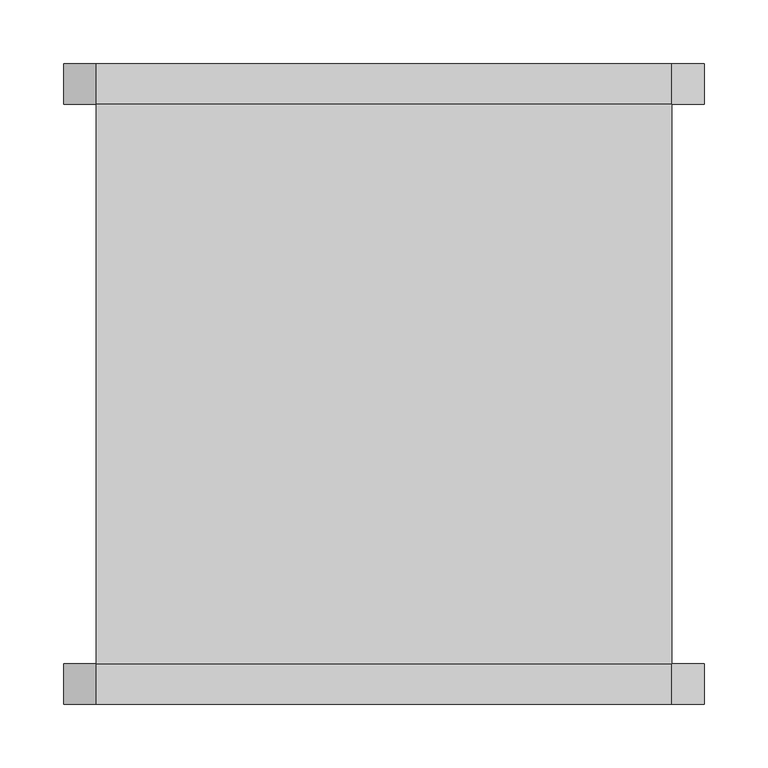
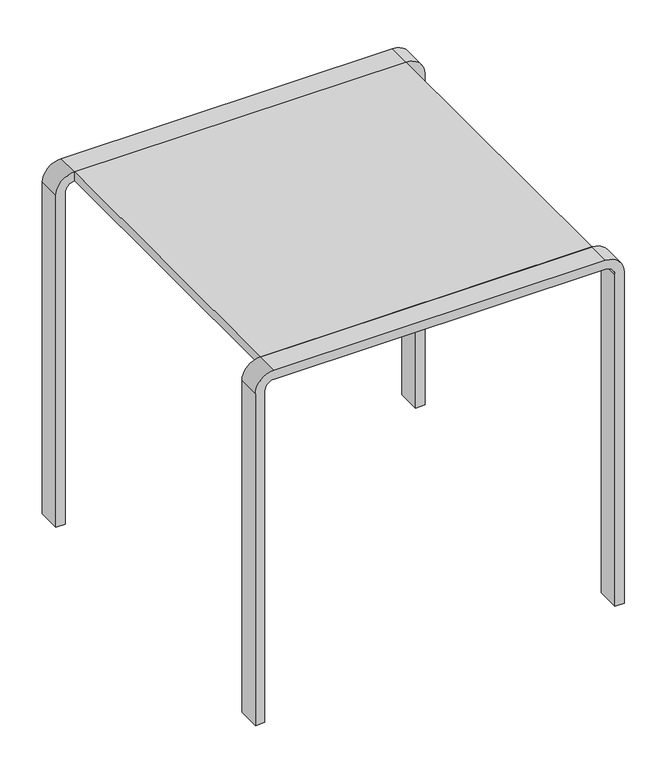
"""IFC4 building model written with IfcOpenShell, lengths in millimetres: furniture geometry."""

from ifc_helpers import new_model, si_unit, point, frame, frame_2d, origin, place, context, project, spatial, polyline, circle_curve, trimmed, segment, composite_curve, outline, extrude, source, transform, mapped, element, save


def furniture_c641f747(model_context):
    return source(origin(), model_context, "Body", "SweptSolid", [
        extrude(outline(polyline([(225.425, 219.075), (225.425, -219.075), (-225.425, -219.075), (-225.425, 219.075), (225.425, 219.075)])), frame((0.0, 0.0, 488.95), z_axis=(0.0, 0.0, 1.0), x_axis=(1.0, 0.0, 0.0)), (0.0, 0.0, 1.0), 12.7),
        extrude(outline(composite_curve([segment(polyline([(476.25, -250.825), (0.0, -250.825), (0.0, -238.125), (476.25, -238.125)]), True, "CONTINUOUS"), segment(trimmed(circle_curve(frame_2d((476.25, -225.425)), 12.7), [point((476.25, -238.125))], [point((488.95, -225.425))], True, "CARTESIAN"), True, "CONTINUOUS"), segment(polyline([(488.95, -225.425), (488.95, 225.425)]), True, "CONTINUOUS"), segment(trimmed(circle_curve(frame_2d((476.25, 225.425)), 12.7), [point((488.95, 225.425))], [point((476.25, 238.125))], True, "CARTESIAN"), True, "CONTINUOUS"), segment(polyline([(476.25, 238.125), (0.0, 238.125), (0.0, 250.825), (476.25, 250.825)]), True, "CONTINUOUS"), segment(trimmed(circle_curve(frame_2d((476.25, 225.425)), 25.4), [point((476.25, 250.825))], [point((501.65, 225.425))], False, "CARTESIAN"), True, "CONTINUOUS"), segment(polyline([(501.65, 225.425), (501.65, -225.425)]), True, "CONTINUOUS"), segment(trimmed(circle_curve(frame_2d((476.25, -225.425)), 25.4), [point((501.65, -225.425))], [point((476.25, -250.825))], False, "CARTESIAN"), True, "CONTINUOUS")], self_intersect=False)), frame((0.0, 219.075, 0.0), z_axis=(0.0, 1.0, 0.0), x_axis=(0.0, 0.0, 1.0)), (0.0, 0.0, 1.0), 31.75),
        extrude(outline(composite_curve([segment(polyline([(476.25, -250.825), (0.0, -250.825), (0.0, -238.125), (476.25, -238.125)]), True, "CONTINUOUS"), segment(trimmed(circle_curve(frame_2d((476.25, -225.425)), 12.7), [point((476.25, -238.125))], [point((488.95, -225.425))], True, "CARTESIAN"), True, "CONTINUOUS"), segment(polyline([(488.95, -225.425), (488.95, 225.425)]), True, "CONTINUOUS"), segment(trimmed(circle_curve(frame_2d((476.25, 225.425)), 12.7), [point((488.95, 225.425))], [point((476.25, 238.125))], True, "CARTESIAN"), True, "CONTINUOUS"), segment(polyline([(476.25, 238.125), (0.0, 238.125), (0.0, 250.825), (476.25, 250.825)]), True, "CONTINUOUS"), segment(trimmed(circle_curve(frame_2d((476.25, 225.425)), 25.4), [point((476.25, 250.825))], [point((501.65, 225.425))], False, "CARTESIAN"), True, "CONTINUOUS"), segment(polyline([(501.65, 225.425), (501.65, -225.425)]), True, "CONTINUOUS"), segment(trimmed(circle_curve(frame_2d((476.25, -225.425)), 25.4), [point((501.65, -225.425))], [point((476.25, -250.825))], False, "CARTESIAN"), True, "CONTINUOUS")], self_intersect=False)), frame((0.0, -250.825, 0.0), z_axis=(0.0, 1.0, 0.0), x_axis=(0.0, 0.0, 1.0)), (0.0, 0.0, 1.0), 31.75),
    ])


if __name__ == "__main__":
    model = new_model("IFC4")
    model_context = context("Model", 3, world=origin())
    ifc_project = project(units=[si_unit("LENGTHUNIT", "METRE", prefix="MILLI")], contexts=[model_context])
    site = spatial("IfcSite", under=ifc_project)
    building = spatial("IfcBuilding", under=site)
    placement = place(None, origin())
    furniture_shape = furniture_c641f747(model_context)
    element("IfcFurniture", 1, at=placement, inside=building, context=model_context, shape_type="MappedRepresentation", body=[
        mapped(furniture_shape, transform((0.0, 0.0, 0.0), x_axis=(1.0, 0.0, 0.0), y_axis=(0.0, 1.0, 0.0), z_axis=(0.0, 0.0, 1.0))),
    ])
    save(model, "model.ifc")
